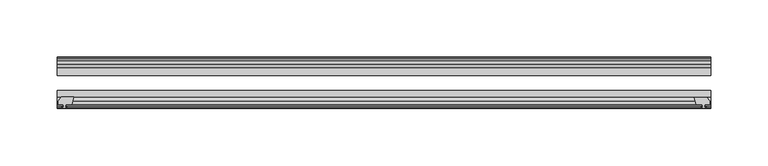
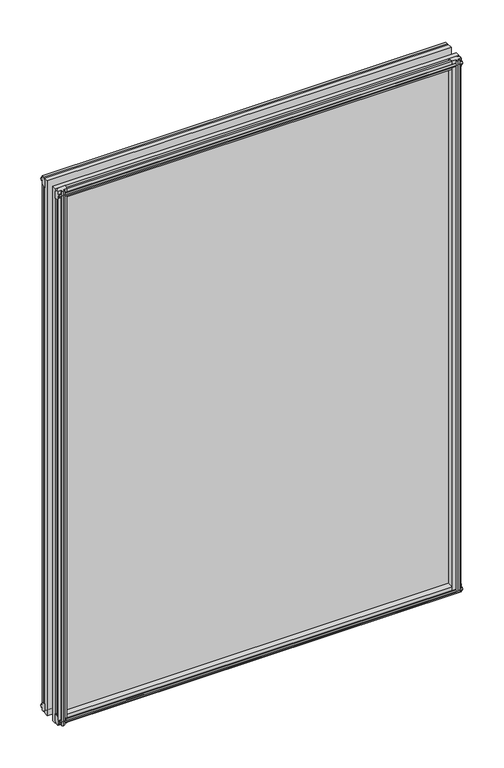
"""IFC4 building model written with IfcOpenShell, lengths in millimetres: plate geometry."""

from ifc_helpers import new_model, si_unit, frame, origin, place, context, project, spatial, polyline, outline, extrude, source, transform, mapped, element, save


def plate_45d8f4aa(model_context):
    return source(origin(), model_context, "Body", "SweptSolid", [
        extrude(outline(polyline([(-271.3322819, -83.1453125), (-273.05, -89.4953125), (-278.257, -89.4953125), (-278.638, -91.8755095), (-277.2224709, -91.4155762), (-277.2224709, -92.2167904), (-279.4, -92.9243125), (-281.577529, -92.2167904), (-281.577529, -91.4155762), (-280.162, -91.8755095), (-280.543, -89.4953125), (-284.988, -89.4953125), (-284.988, -86.5489125), (-282.1536578, -83.1453125), (-271.3322819, -83.1453125)])), frame((0.0, 0.0, -12.4587), z_axis=(0.0, 0.0, 1.0), x_axis=(1.0, 0.0, 0.0)), (0.0, 0.0, 1.0), 799.6172183),
        extrude(outline(polyline([(271.3538926, -83.2252021), (282.1752685, -83.2252021), (285.0096107, -86.6288021), (285.0096107, -89.5752021), (280.5646107, -89.5752021), (280.1836107, -91.9553991), (281.5991397, -91.4954658), (281.5991397, -92.29668), (279.4216107, -93.0042021), (277.2440816, -92.29668), (277.2440816, -91.4954658), (278.6596107, -91.9553991), (278.2786107, -89.5752021), (273.0716107, -89.5752021), (271.3538926, -83.2252021)])), frame((0.0, 0.0, -9.0482291), z_axis=(0.0, 0.0, 1.0), x_axis=(1.0, 0.0, 0.0)), (0.0, 0.0, 1.0), 796.2067474),
        extrude(outline(polyline([(-280.6827, -49.0151155), (-282.098229, -49.4750488), (-282.098229, -48.6738346), (-279.9207, -47.9663125), (-277.7431709, -48.6738346), (-277.7431709, -49.4750488), (-279.1587, -49.0151155), (-278.7777, -51.3953125), (-273.5707, -51.3953125), (-271.8529819, -57.7453125), (-282.6743578, -57.7453125), (-285.5087, -54.3417125), (-285.5087, -51.3953125), (-281.0637, -51.3953125), (-280.6827, -49.0151155)])), frame((0.0, 0.0, -12.4587), z_axis=(0.0, 0.0, 1.0), x_axis=(1.0, 0.0, 0.0)), (0.0, 0.0, 1.0), 793.2672183),
        extrude(outline(polyline([(271.8529819, -57.7453125), (273.5707, -51.3953125), (278.7777, -51.3953125), (279.1587, -49.0151155), (277.7431709, -49.4750488), (277.7431709, -48.6738346), (279.9207, -47.9663125), (282.098229, -48.6738346), (282.098229, -49.4750488), (280.6827, -49.0151155), (281.0637, -51.3953125), (285.5087, -51.3953125), (285.5087, -54.3417125), (282.6743578, -57.7453125), (271.8529819, -57.7453125)])), frame((0.0, 0.0, -12.4587), z_axis=(0.0, 0.0, 1.0), x_axis=(1.0, 0.0, 0.0)), (0.0, 0.0, 1.0), 793.2672183),
        extrude(outline(polyline([(-48.6738346, -4.6931709), (-47.9663125, -6.8707), (-48.6738346, -9.0482291), (-49.4750488, -9.0482291), (-49.0151155, -7.6327), (-51.3953125, -8.0137), (-51.3953125, -12.4587), (-54.3417125, -12.4587), (-57.7453125, -9.6243578), (-57.7453125, 1.1970181), (-51.3953125, -0.5207), (-51.3953125, -5.7277), (-49.0151155, -6.1087), (-49.4750488, -4.6931709), (-48.6738346, -4.6931709)])), frame((-285.75, 0.0, 0.0), z_axis=(1.0, 0.0, 0.0), x_axis=(0.0, 1.0, 0.0)), (0.0, 0.0, 1.0), 571.5),
        extrude(outline(polyline([(-83.1453125, 1.7177181), (-83.1453125, -9.1036578), (-86.5489125, -11.938), (-89.4953125, -11.938), (-89.4953125, -7.493), (-91.8755095, -7.112), (-91.4155762, -8.5275291), (-92.2167904, -8.5275291), (-92.9243125, -6.35), (-92.2167904, -4.1724709), (-91.4155762, -4.1724709), (-91.8755095, -5.588), (-89.4953125, -5.207), (-89.4953125, 0.0), (-83.1453125, 1.7177181)])), frame((-285.75, 0.0, 0.0), z_axis=(1.0, 0.0, 0.0), x_axis=(0.0, 1.0, 0.0)), (0.0, 0.0, 1.0), 571.5),
        extrude(outline(polyline([(-49.0151155, 782.3325183), (-49.4750488, 783.7480474), (-48.6738346, 783.7480474), (-47.9663125, 781.5705183), (-48.6738346, 779.3929893), (-49.4750488, 779.3929893), (-49.0151155, 780.8085183), (-51.3953125, 780.4275183), (-51.3953125, 775.2205183), (-57.7453125, 773.5028003), (-57.7453125, 784.3241762), (-54.3417125, 787.1585183), (-51.3953125, 787.1585183), (-51.3953125, 782.7135183), (-49.0151155, 782.3325183)])), frame((-285.75, 0.0, 0.0), z_axis=(1.0, 0.0, 0.0), x_axis=(0.0, 1.0, 0.0)), (0.0, 0.0, 1.0), 571.5),
        extrude(outline(polyline([(-89.4953125, 786.6378183), (-86.5489125, 786.6378183), (-83.1453125, 783.8034762), (-83.1453125, 772.9821003), (-89.4953125, 774.6998183), (-89.4953125, 779.9068183), (-91.8755095, 780.2878183), (-91.4155762, 778.8722893), (-92.2167904, 778.8722893), (-92.9243125, 781.0498183), (-92.2167904, 783.2273474), (-91.4155762, 783.2273474), (-91.8755095, 781.8118183), (-89.4953125, 782.1928183), (-89.4953125, 786.6378183)])), frame((-285.75, 0.0, 0.0), z_axis=(1.0, 0.0, 0.0), x_axis=(0.0, 1.0, 0.0)), (0.0, 0.0, 1.0), 571.5),
        extrude(outline(polyline([(-285.75, -57.7453125), (285.75, -57.7453125), (285.75, -64.0953125), (-285.75, -64.0953125), (-285.75, -57.7453125)])), frame((0.0, 0.0, -12.7), z_axis=(0.0, 0.0, 1.0), x_axis=(1.0, 0.0, 0.0)), (0.0, 0.0, 1.0), 800.0998183),
        extrude(outline(polyline([(-285.75, -77.1178925), (285.75, -77.1178925), (285.75, -83.1453125), (-285.75, -83.1453125), (-285.75, -77.1178925)])), frame((0.0, 0.0, -12.7), z_axis=(0.0, 0.0, 1.0), x_axis=(1.0, 0.0, 0.0)), (0.0, 0.0, 1.0), 800.0998183),
    ])


if __name__ == "__main__":
    model = new_model("IFC4")
    model_context = context("Model", 3, world=origin())
    ifc_project = project(units=[si_unit("LENGTHUNIT", "METRE", prefix="MILLI")], contexts=[model_context])
    site = spatial("IfcSite", under=ifc_project)
    building = spatial("IfcBuilding", under=site)
    placement = place(None, origin())
    plate_shape = plate_45d8f4aa(model_context)
    element("IfcPlate", 1, at=placement, inside=building, context=model_context, shape_type="MappedRepresentation", body=[
        mapped(plate_shape, transform((0.0, 0.0, 0.0), x_axis=(1.0, 0.0, 0.0), y_axis=(0.0, 1.0, 0.0), z_axis=(0.0, 0.0, 1.0))),
    ])
    save(model, "model.ifc")
